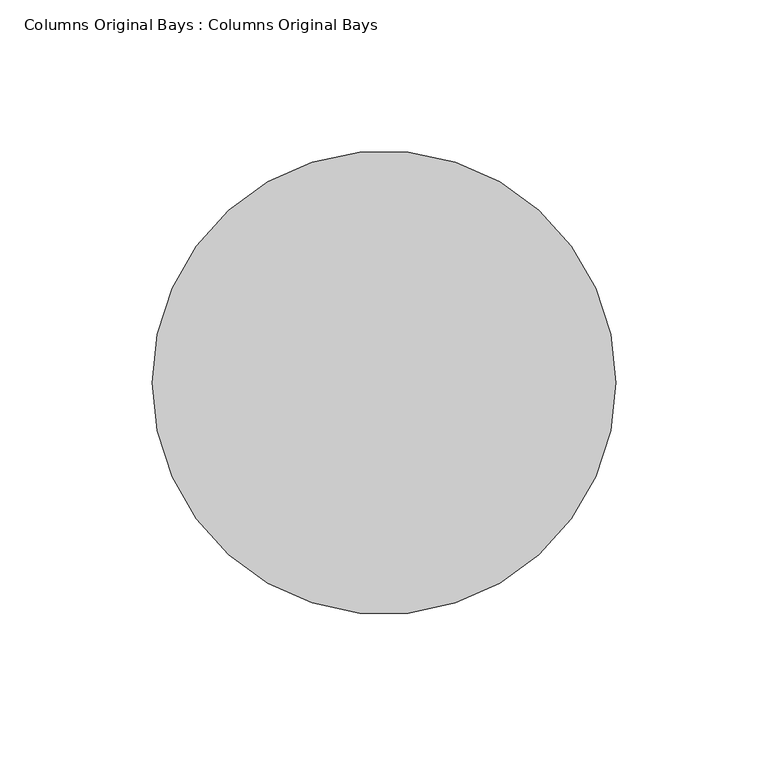
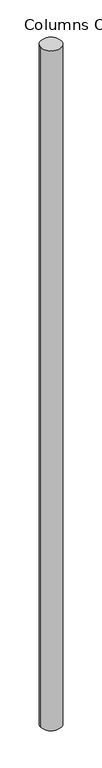
"""IFC4 building model written with IfcOpenShell, lengths in millimetres: column geometry, Columns Original Bays : Columns Original Bays."""

from ifc_helpers import new_model, si_unit, point, frame, frame_2d, origin, place, context, project, spatial, circle_curve, trimmed, segment, composite_curve, outline, extrude, source, transform, mapped, element, save


def columns_original_bays_columns_original_bays_46a43fd0(model_context):
    return source(origin(), model_context, "Body", "SweptSolid", [
        extrude(outline(composite_curve([segment(trimmed(circle_curve(frame_2d((233541.0728488, 170015.6596581)), 76.2), [point((233464.8728488, 170015.6596581))], [point((233617.2728488, 170015.6596581))], False, "CARTESIAN"), True, "CONTINUOUS"), segment(trimmed(circle_curve(frame_2d((233541.0728488, 170015.6596581)), 76.2), [point((233617.2728488, 170015.6596581))], [point((233464.8728488, 170015.6596581))], False, "CARTESIAN"), True, "CONTINUOUS")], self_intersect=False)), frame((0.0, 0.0, -59.4407436), z_axis=(0.0, 0.0, 1.0), x_axis=(1.0, 0.0, 0.0)), (0.0, 0.0, 1.0), 5384.8),
    ])


if __name__ == "__main__":
    model = new_model("IFC4")
    model_context = context("Model", 3, world=origin())
    ifc_project = project(units=[si_unit("LENGTHUNIT", "METRE", prefix="MILLI")], contexts=[model_context])
    site = spatial("IfcSite", under=ifc_project)
    building = spatial("IfcBuilding", under=site)
    placement = place(None, origin())
    columns_original_bays_columns_original_bays_shape = columns_original_bays_columns_original_bays_46a43fd0(model_context)
    element("IfcColumn", 1, ObjectType="Columns Original Bays : Columns Original Bays", at=placement, inside=building, context=model_context, shape_type="MappedRepresentation", body=[
        mapped(columns_original_bays_columns_original_bays_shape, transform((0.0, 0.0, 0.0), x_axis=(1.0, 0.0, 0.0), y_axis=(0.0, 1.0, 0.0), z_axis=(0.0, 0.0, 1.0))),
    ])
    save(model, "model.ifc")
